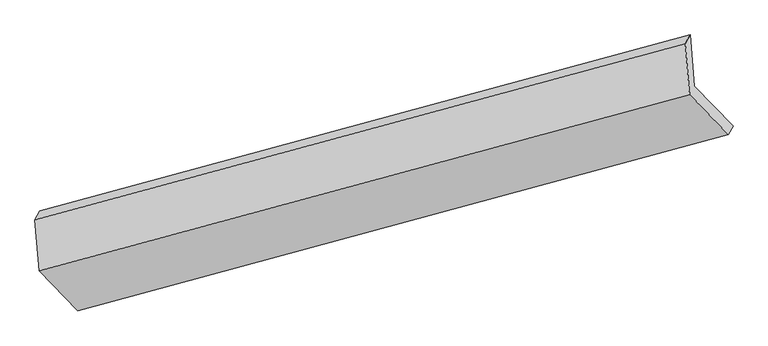
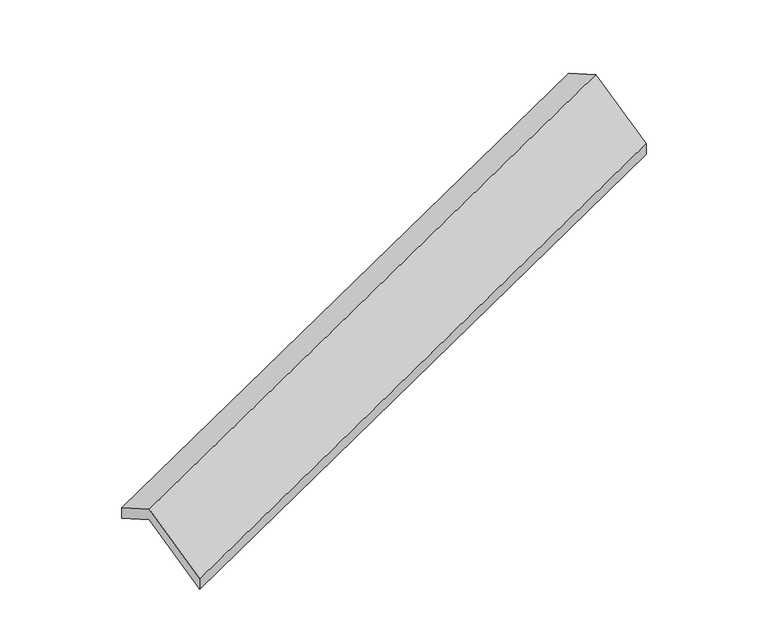
"""IFC4 building model written with IfcOpenShell, lengths in millimetres: proxy geometry."""

from ifc_helpers import new_model, si_unit, origin, place, context, project, spatial, faceted_brep, source, transform, mapped, element, save


def generic_models_2800f4c5(model_context):
    return source(origin(), model_context, "Body", "Brep", [
        faceted_brep([(-5150.1810424, -2105.9975099, 1316.1100333), (-5179.0220464, -1755.2978419, 1125.8373397), (-725.9717512, -546.7324817, 2699.4386049), (-697.1307472, -897.4321496, 2889.7112985), (-5211.2945817, -1815.3404089, 1264.6647811), (-758.2442865, -606.7750486, 2838.2660462), (-5182.5379536, -2165.0140861, 1454.3808216), (-729.4876585, -956.4487258, 3027.9820868), (-4917.5659571, -2438.411476, 910.306786), (-464.515662, -1229.8461157, 2483.9080512), (-4884.6648854, -2379.9563632, 770.9186586), (-431.6145902, -1171.3910029, 2344.5199237)], [[[0, 1, 2, 3]], [[1, 4, 5, 2]], [[4, 6, 7, 5]], [[6, 8, 9, 7]], [[8, 10, 11, 9]], [[10, 0, 3, 11]], [[9, 11, 3, 2, 5, 7]], [[0, 10, 8, 6, 4, 1]]]),
    ])


if __name__ == "__main__":
    model = new_model("IFC4")
    model_context = context("Model", 3, world=origin())
    ifc_project = project(units=[si_unit("LENGTHUNIT", "METRE", prefix="MILLI")], contexts=[model_context])
    site = spatial("IfcSite", under=ifc_project)
    building = spatial("IfcBuilding", under=site)
    placement = place(None, origin())
    generic_models_shape = generic_models_2800f4c5(model_context)
    element("IfcBuildingElementProxy", 1, Name="Generic Models", at=placement, inside=building, context=model_context, shape_type="MappedRepresentation", body=[
        mapped(generic_models_shape, transform((0.0, 0.0, 0.0), x_axis=(1.0, 0.0, 0.0), y_axis=(0.0, 1.0, 0.0), z_axis=(0.0, 0.0, 1.0))),
    ])
    save(model, "model.ifc")
